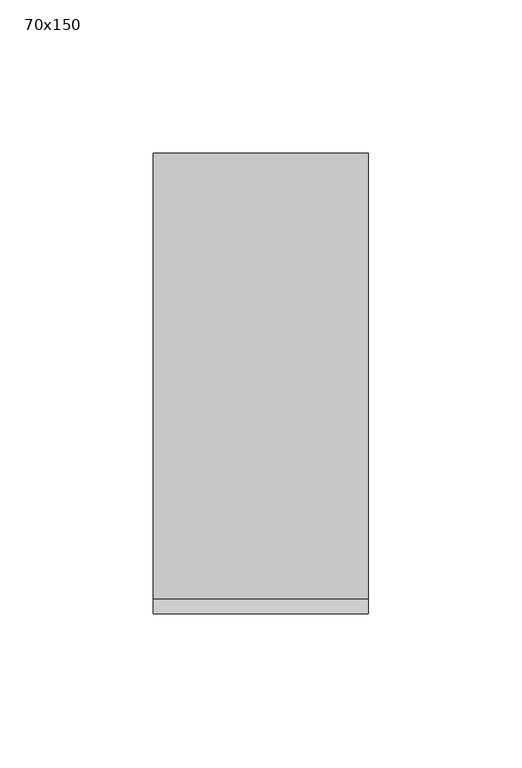
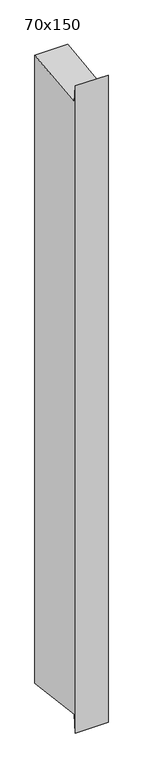
"""IFC4 building model written with IfcOpenShell, lengths in millimetres: member geometry, 70x150."""

from ifc_helpers import new_model, si_unit, frame, origin, place, context, project, spatial, polyline, outline, extrude, source, transform, mapped, element, save


def member_70x150_fd538d08(model_context):
    return source(origin(), model_context, "Body", "SweptSolid", [
        extrude(outline(polyline([(-75.0, 30.4253619), (-70.1901706, -8.8558999), (75.0, 8.9220411), (75.0, -1413.4545813), (-70.1901706, -1395.6766403), (-75.0, -1434.957902), (-75.0, 30.4253619)])), frame((-70.0, 0.0, 0.0), z_axis=(1.0, 0.0, 0.0), x_axis=(0.0, 1.0, 0.0)), (0.0, 0.0, 1.0), 70.0),
    ])


if __name__ == "__main__":
    model = new_model("IFC4")
    model_context = context("Model", 3, world=origin())
    ifc_project = project(units=[si_unit("LENGTHUNIT", "METRE", prefix="MILLI")], contexts=[model_context])
    site = spatial("IfcSite", under=ifc_project)
    building = spatial("IfcBuilding", under=site)
    placement = place(None, origin())
    member_70x150_shape = member_70x150_fd538d08(model_context)
    element("IfcMember", 1, ObjectType="70x150", at=placement, inside=building, context=model_context, shape_type="MappedRepresentation", body=[
        mapped(member_70x150_shape, transform((0.0, 0.0, 0.0), x_axis=(1.0, 0.0, 0.0), y_axis=(0.0, 1.0, 0.0), z_axis=(0.0, 0.0, 1.0))),
    ])
    save(model, "model.ifc")
